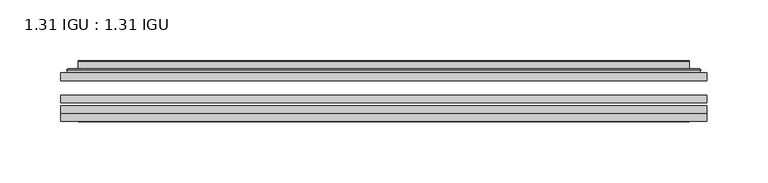
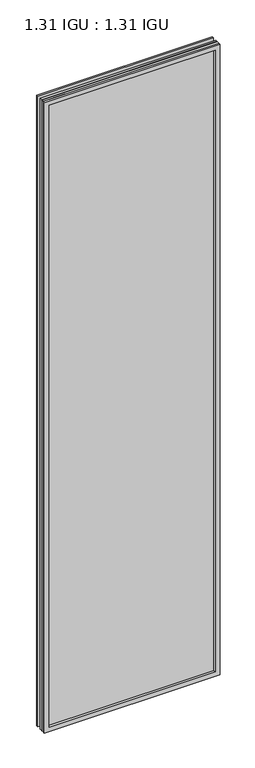
"""IFC4 building model written with IfcOpenShell, lengths in millimetres: plate geometry, 1.31 IGU : 1.31 IGU."""

from ifc_helpers import new_model, si_unit, frame, origin, place, context, project, spatial, polyline, ellipse_curve, outline, extrude, faceted_brep, source, transform, mapped, element, save
from ifc_brep_helpers import plane_surface, cylinder_surface, advanced_brep


def plate_1_31_igu_1_31_igu_1453e3c8(model_context):
    return source(origin(), model_context, "Body", "SolidModel", [
        extrude(outline(polyline([(265.126675, -63.2975937), (265.126675, -69.6475938), (-265.1125, -69.6475938), (-265.1125, -63.2975937), (265.126675, -63.2975937)])), frame((0.0, 0.0, -14.2875), z_axis=(0.0, 0.0, 1.0), x_axis=(1.0, 0.0, 0.0)), (0.0, 0.0, 1.0), 2009.796575),
        extrude(outline(polyline([(-265.1125, -78.2835938), (-265.1125, -71.9330887), (265.126675, -71.9330887), (265.126675, -78.2835938), (-265.1125, -78.2835938)])), frame((0.0, 0.0, -14.2875), z_axis=(0.0, 0.0, 1.0), x_axis=(1.0, 0.0, 0.0)), (0.0, 0.0, 1.0), 2009.796575),
        extrude(outline(polyline([(265.126675, -44.9587937), (265.126675, -51.3087938), (-265.1125, -51.3087938), (-265.1125, -44.9587937), (265.126675, -44.9587937)])), frame((0.0, 0.0, -14.2875), z_axis=(0.0, 0.0, 1.0), x_axis=(1.0, 0.0, 0.0)), (0.0, 0.0, 1.0), 2009.796575),
        faceted_brep([(-265.1252, -84.6335937, 1995.5179772), (-265.1252, -78.2835937, 1995.5179772), (-265.1252, -78.2835937, -14.3002), (-265.1252, -84.6335937, -14.3002), (265.1252, -78.2835937, -14.3002), (265.1252, -84.6335937, -14.3002), (265.1252, -78.2835937, 1995.5179772), (265.1252, -84.6335937, 1995.5179772), (-249.9272559, -78.2835937, 0.8977441), (249.9272559, -78.2835937, 0.8977441), (249.9272559, -78.2835937, 1980.320033), (-249.9272559, -78.2835937, 1980.320033), (-250.8196902, -84.6335937, 1981.2124673), (250.8196902, -84.6335937, 1981.2124673), (250.8196902, -84.6335937, 0.0053098), (-250.8196902, -84.6335937, 0.0053098)], [[[0, 1, 2, 3]], [[3, 2, 4, 5]], [[5, 4, 6, 7]], [[1, 6, 4, 2], [8, 9, 10, 11]], [[7, 6, 1, 0]], [[3, 5, 7, 0], [12, 13, 14, 15]], [[11, 12, 15, 8]], [[8, 15, 14, 9]], [[9, 14, 13, 10]], [[10, 13, 12, 11]]]),
        advanced_brep(
        [(-257.871219, -44.9587937, 1988.2639962), (-260.2254244, -42.9691271, 1990.6182015), (-260.2254244, -42.9691271, -9.4004244), (-257.871219, -44.9587937, -7.046219), (-248.7968939, -41.1187568, 1979.1896711), (-243.8620621, -44.9587937, 1974.2548392), (-243.8620621, -44.9587937, 6.9629379), (-248.7968939, -41.1187568, 2.0281061), (-249.8289217, -35.7215256, 1980.2216988), (-249.8289217, -35.7215256, 0.9960783), (-250.8195784, -35.3225507, 1981.2123556), (-250.8195784, -35.3225507, 0.0054216), (-250.8195784, -41.7837937, 1981.2123556), (-250.8195784, -41.7837937, 0.0054216), (-259.2236349, -41.7837937, 1989.616412), (-259.2236349, -41.7837937, -8.3986349), (260.2254244, -42.9691271, -9.4004244), (257.871219, -44.9587937, -7.046219), (243.8620621, -44.9587937, 6.9629379), (248.7968939, -41.1187568, 2.0281061), (249.8289217, -35.7215256, 0.9960783), (250.8195784, -35.3225507, 0.0054216), (250.8195784, -41.7837937, 0.0054216), (259.2236349, -41.7837937, -8.3986349), (260.2254244, -42.9691271, 1990.6182015), (257.871219, -44.9587937, 1988.2639962), (243.8620621, -44.9587937, 1974.2548392), (248.7968939, -41.1187568, 1979.1896711), (249.8289217, -35.7215256, 1980.2216988), (250.8195784, -35.3225507, 1981.2123556), (250.8195784, -41.7837937, 1981.2123556), (259.2236349, -41.7837937, 1989.616412)],
        [
            (0, 1, ellipse_curve(frame((-257.871219, -42.5711937, 1988.2639962), z_axis=(-0.7071067811865475, 0.0, -0.7071067811865475), x_axis=(-0.7071067811865474, 0.0, 0.7071067811865476)), 3.3765763, 2.3876)),
            (1, 2),
            (2, 3, ellipse_curve(frame((-257.871219, -42.5711937, -7.046219), z_axis=(-0.7071067811865475, 0.0, 0.7071067811865475), x_axis=(0.7071067811865474, 0.0, 0.7071067811865476)), 3.3765763, 2.3876)),
            (3, 0),
            (4, 5),
            (5, 6),
            (6, 7),
            (7, 4),
            (8, 4),
            (7, 9),
            (9, 8),
            (10, 8, ellipse_curve(frame((-250.4526219, -35.840786, 1980.845399), z_axis=(-0.7071067811865475, 0.0, -0.7071067811865475), x_axis=(-0.7071067811865474, 0.0, 0.7071067811865476)), 0.8980256, 0.635)),
            (9, 11, ellipse_curve(frame((-250.4526219, -35.840786, 0.3723781), z_axis=(-0.7071067811865475, 0.0, 0.7071067811865475), x_axis=(0.7071067811865474, 0.0, 0.7071067811865476)), 0.8980256, 0.635)),
            (11, 10),
            (12, 10),
            (11, 13),
            (13, 12),
            (1, 14, ellipse_curve(frame((-259.2236349, -42.7997937, 1989.616412), z_axis=(-0.7071067811865475, 0.0, -0.7071067811865475), x_axis=(-0.7071067811865474, 0.0, 0.7071067811865476)), 1.436841, 1.016)),
            (14, 15),
            (15, 2, ellipse_curve(frame((-259.2236349, -42.7997937, -8.3986349), z_axis=(-0.7071067811865475, 0.0, 0.7071067811865475), x_axis=(0.7071067811865474, 0.0, 0.7071067811865476)), 1.436841, 1.016)),
            (2, 16),
            (16, 17, ellipse_curve(frame((257.871219, -42.5711937, -7.046219), z_axis=(-0.7071067811865475, 0.0, -0.7071067811865475), x_axis=(-0.7071067811865476, 0.0, 0.7071067811865474)), 3.3765763, 2.3876)),
            (17, 3),
            (6, 18),
            (18, 19),
            (19, 7),
            (19, 20),
            (20, 9),
            (20, 21, ellipse_curve(frame((250.4526219, -35.840786, 0.3723781), z_axis=(-0.7071067811865475, 0.0, -0.7071067811865475), x_axis=(-0.7071067811865476, 0.0, 0.7071067811865474)), 0.8980256, 0.635)),
            (21, 11),
            (21, 22),
            (22, 13),
            (15, 23),
            (23, 16, ellipse_curve(frame((259.2236349, -42.7997937, -8.3986349), z_axis=(-0.7071067811865475, 0.0, -0.7071067811865475), x_axis=(-0.7071067811865476, 0.0, 0.7071067811865474)), 1.436841, 1.016)),
            (16, 24),
            (24, 25, ellipse_curve(frame((257.871219, -42.5711937, 1988.2639962), z_axis=(0.7071067811865475, 0.0, -0.7071067811865475), x_axis=(-0.7071067811865474, 0.0, -0.7071067811865476)), 3.3765763, 2.3876)),
            (25, 17),
            (18, 26),
            (26, 27),
            (27, 19),
            (27, 28),
            (28, 20),
            (28, 29, ellipse_curve(frame((250.4526219, -35.840786, 1980.845399), z_axis=(0.7071067811865475, 0.0, -0.7071067811865475), x_axis=(-0.7071067811865474, 0.0, -0.7071067811865476)), 0.8980256, 0.635)),
            (29, 21),
            (29, 30),
            (30, 22),
            (23, 31),
            (31, 24, ellipse_curve(frame((259.2236349, -42.7997937, 1989.616412), z_axis=(0.7071067811865475, 0.0, -0.7071067811865475), x_axis=(-0.7071067811865474, 0.0, -0.7071067811865476)), 1.436841, 1.016)),
            (24, 1),
            (0, 25),
            (5, 26),
            (4, 27),
            (8, 28),
            (10, 29),
            (12, 30),
            (14, 31),
        ],
        [
            cylinder_surface(frame((-257.871219, -42.5711937, 2012.9677772), z_axis=(0.0, 0.0, 1.0), x_axis=(-1.0, 0.0, 0.0)), 2.3876),
            plane_surface(frame((-243.8620621, -44.9587937, 1974.2548392), z_axis=(0.6141233906514794, 0.7892100234124821, 0.0), x_axis=(0.0, 0.0, -1.0))),
            plane_surface(frame((-248.7968939, -41.1187568, 1979.1896711), z_axis=(0.9822050625507729, 0.18781164793386076, 0.0), x_axis=(0.0, 0.0, -1.0))),
            cylinder_surface(frame((-250.4526219, -35.840786, 2012.9677772), z_axis=(0.0, 0.0, 1.0), x_axis=(-1.0, 0.0, 0.0)), 0.635),
            plane_surface(frame((-250.8195784, -35.3225507, 1981.2123556), z_axis=(-1.0, 0.0, 0.0), x_axis=(0.0, 0.0, -1.0))),
            cylinder_surface(frame((-259.2236349, -42.7997937, 2012.9677772), z_axis=(0.0, 0.0, 1.0), x_axis=(-1.0, 0.0, 0.0)), 1.016),
            cylinder_surface(frame((-282.575, -42.5711937, -7.046219), z_axis=(-1.0, 0.0, 0.0), x_axis=(0.0, 0.0, -1.0)), 2.3876),
            plane_surface(frame((-243.8620621, -44.9587937, 6.9629379), z_axis=(0.0, 0.7892100234124841, 0.6141233906514768), x_axis=(1.0, 0.0, 0.0))),
            plane_surface(frame((-248.7968939, -41.1187568, 2.0281061), z_axis=(0.0, 0.18781164793386393, 0.9822050625507723), x_axis=(1.0, 0.0, 0.0))),
            cylinder_surface(frame((-282.575, -35.840786, 0.3723781), z_axis=(-1.0, 0.0, 0.0), x_axis=(0.0, 0.0, -1.0)), 0.635),
            plane_surface(frame((-250.8195784, -35.3225507, 0.0054216), z_axis=(0.0, 0.0, -1.0), x_axis=(1.0, 0.0, 0.0))),
            cylinder_surface(frame((-282.575, -42.7997937, -8.3986349), z_axis=(-1.0, 0.0, 0.0), x_axis=(0.0, 0.0, -1.0)), 1.016),
            cylinder_surface(frame((257.871219, -42.5711937, -31.75), z_axis=(0.0, 0.0, -1.0), x_axis=(1.0, 0.0, 0.0)), 2.3876),
            plane_surface(frame((243.8620621, -44.9587937, 6.9629379), z_axis=(-0.6141233906514743, 0.7892100234124861, 0.0), x_axis=(0.0, 0.0, 1.0))),
            plane_surface(frame((248.7968939, -41.1187568, 2.0281061), z_axis=(-0.9822050625507718, 0.1878116479338671, 0.0), x_axis=(0.0, 0.0, 1.0))),
            cylinder_surface(frame((250.4526219, -35.840786, -31.75), z_axis=(0.0, 0.0, -1.0), x_axis=(1.0, 0.0, 0.0)), 0.635),
            plane_surface(frame((250.8195784, -35.3225507, 0.0054216), z_axis=(1.0, 0.0, 0.0), x_axis=(0.0, 0.0, 1.0))),
            cylinder_surface(frame((259.2236349, -42.7997937, -31.75), z_axis=(0.0, 0.0, -1.0), x_axis=(1.0, 0.0, 0.0)), 1.016),
            cylinder_surface(frame((282.575, -42.5711937, 1988.2639962), z_axis=(1.0, 0.0, 0.0), x_axis=(0.0, 0.0, 1.0)), 2.3876),
            plane_surface(frame((257.871219, -44.9587937, 1988.2639962), z_axis=(0.0, -1.0, 0.0), x_axis=(-1.0, 0.0, 0.0))),
            plane_surface(frame((243.8620621, -44.9587937, 1974.2548392), z_axis=(0.0, 0.7892100234124841, -0.6141233906514768), x_axis=(-1.0, 0.0, 0.0))),
            plane_surface(frame((248.7968939, -41.1187568, 1979.1896711), z_axis=(0.0, 0.18781164793386393, -0.9822050625507723), x_axis=(-1.0, 0.0, 0.0))),
            cylinder_surface(frame((282.575, -35.840786, 1980.845399), z_axis=(1.0, 0.0, 0.0), x_axis=(0.0, 0.0, 1.0)), 0.635),
            plane_surface(frame((250.8195784, -35.3225507, 1981.2123556), z_axis=(0.0, 0.0, 1.0), x_axis=(-1.0, 0.0, 0.0))),
            plane_surface(frame((250.8195784, -41.7837937, 1981.2123556), z_axis=(0.0, 1.0, 0.0), x_axis=(-1.0, 0.0, 0.0))),
            cylinder_surface(frame((282.575, -42.7997937, 1989.616412), z_axis=(1.0, 0.0, 0.0), x_axis=(0.0, 0.0, 1.0)), 1.016),
        ],
        [
            (0, [[1, 2, 3, 4]]),
            (1, [[5, 6, 7, 8]]),
            (2, [[9, -8, 10, 11]]),
            (3, [[12, -11, 13, 14]]),
            (4, [[15, -14, 16, 17]]),
            (5, [[18, 19, 20, -2]]),
            (6, [[-3, 21, 22, 23]]),
            (7, [[-7, 24, 25, 26]]),
            (8, [[-10, -26, 27, 28]]),
            (9, [[-13, -28, 29, 30]]),
            (10, [[-16, -30, 31, 32]]),
            (11, [[-20, 33, 34, -21]]),
            (12, [[-22, 35, 36, 37]]),
            (13, [[-25, 38, 39, 40]]),
            (14, [[-27, -40, 41, 42]]),
            (15, [[-29, -42, 43, 44]]),
            (16, [[-31, -44, 45, 46]]),
            (17, [[-34, 47, 48, -35]]),
            (18, [[-36, 49, -1, 50]]),
            (19, [[-23, -37, -50, -4], [51, -38, -24, -6]]),
            (20, [[-39, -51, -5, 52]]),
            (21, [[-41, -52, -9, 53]]),
            (22, [[-43, -53, -12, 54]]),
            (23, [[-45, -54, -15, 55]]),
            (24, [[56, -47, -33, -19], [-32, -46, -55, -17]]),
            (25, [[-48, -56, -18, -49]]),
        ],
    ),
    ])


if __name__ == "__main__":
    model = new_model("IFC4")
    model_context = context("Model", 3, world=origin())
    ifc_project = project(units=[si_unit("LENGTHUNIT", "METRE", prefix="MILLI")], contexts=[model_context])
    site = spatial("IfcSite", under=ifc_project)
    building = spatial("IfcBuilding", under=site)
    placement = place(None, origin())
    plate_1_31_igu_1_31_igu_shape = plate_1_31_igu_1_31_igu_1453e3c8(model_context)
    element("IfcPlate", 1, ObjectType="1.31 IGU : 1.31 IGU", at=placement, inside=building, context=model_context, shape_type="MappedRepresentation", body=[
        mapped(plate_1_31_igu_1_31_igu_shape, transform((0.0, 0.0, 0.0), x_axis=(1.0, 0.0, 0.0), y_axis=(0.0, 1.0, 0.0), z_axis=(0.0, 0.0, 1.0))),
    ])
    save(model, "model.ifc")
